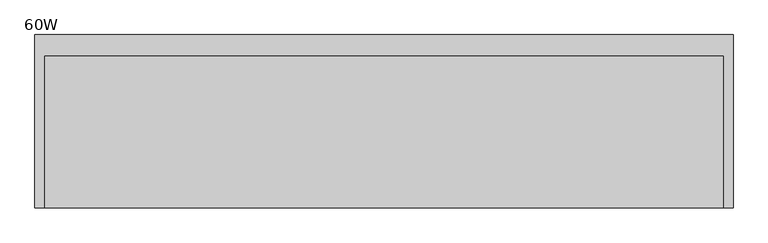
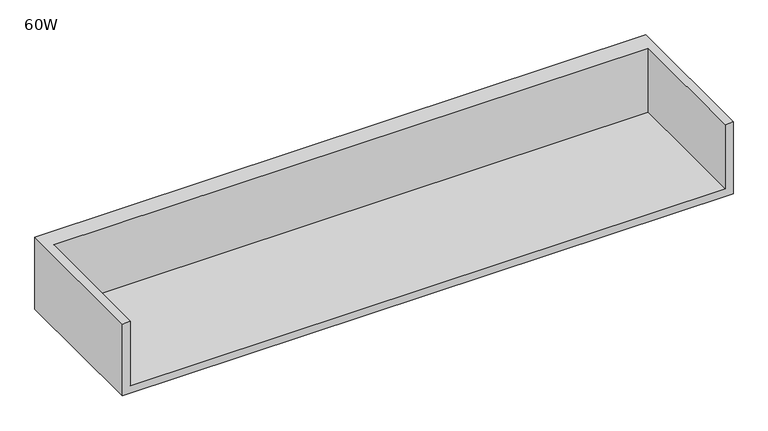
"""IFC4 building model written with IfcOpenShell, lengths in millimetres: furniture geometry, 60W."""

from ifc_helpers import new_model, si_unit, origin, place, context, project, spatial, faceted_brep, source, transform, mapped, element, save


def furniture_60w_c21e3c4c(model_context):
    return source(origin(), model_context, "Body", "Brep", [
        faceted_brep([(20.1673737, -320.802, 1115.6696643), (1502.8166263, -320.802, 1115.6696643), (1502.8166263, 11.5824326, 1115.6696643), (20.1673737, 11.5824326, 1115.6696643), (0.0, -320.802, 1095.502), (0.0, 57.15, 1095.502), (1522.984, 57.15, 1095.502), (1522.984, -320.802, 1095.502), (1522.984, 57.15, 1284.9860736), (0.0, 57.15, 1284.9860736), (20.1673737, -320.802, 1284.9860736), (0.0, -320.802, 1284.9860736), (1522.984, -320.802, 1284.9860736), (1502.8166263, -320.802, 1284.9860736), (20.1673737, 11.5824326, 1284.9860736), (1502.8166263, 11.5824326, 1284.9860736)], [[[0, 1, 2, 3]], [[4, 5, 6, 7]], [[8, 6, 5, 9]], [[1, 0, 10, 11, 4, 7, 12, 13]], [[8, 9, 11, 10, 14, 15, 13, 12]], [[11, 9, 5, 4]], [[10, 0, 3, 14]], [[8, 12, 7, 6]], [[1, 13, 15, 2]], [[15, 14, 3, 2]]]),
    ])


if __name__ == "__main__":
    model = new_model("IFC4")
    model_context = context("Model", 3, world=origin())
    ifc_project = project(units=[si_unit("LENGTHUNIT", "METRE", prefix="MILLI")], contexts=[model_context])
    site = spatial("IfcSite", under=ifc_project)
    building = spatial("IfcBuilding", under=site)
    placement = place(None, origin())
    furniture_60w_shape = furniture_60w_c21e3c4c(model_context)
    element("IfcFurniture", 1, ObjectType="60W", at=placement, inside=building, context=model_context, shape_type="MappedRepresentation", body=[
        mapped(furniture_60w_shape, transform((0.0, 0.0, 0.0), x_axis=(1.0, 0.0, 0.0), y_axis=(0.0, 1.0, 0.0), z_axis=(0.0, 0.0, 1.0))),
    ])
    save(model, "model.ifc")
